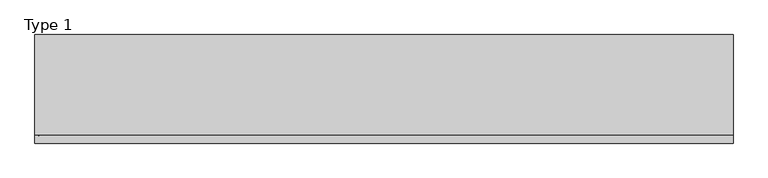
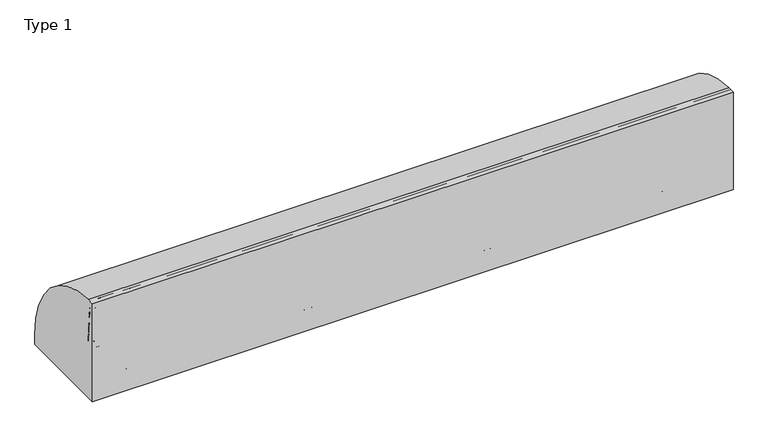
"""IFC4 building model written with IfcOpenShell, lengths in millimetres: railing geometry, Type 1."""

from ifc_helpers import new_model, si_unit, point, frame, frame_2d, origin, place, context, project, spatial, polyline, circle_curve, ellipse_curve, trimmed, segment, composite_curve, outline, extrude, source, transform, mapped, element, save
from ifc_brep_helpers import plane_surface, cylinder_surface, revolved_surface, advanced_brep


def type_1_aad9f2fb(model_context):
    return source(origin(), model_context, "Body", "SolidModel", [
        extrude(outline(composite_curve([segment(polyline([(-824.2, 1050.0), (-747.6546144, 1050.0)]), True, "CONTINUOUS"), segment(trimmed(circle_curve(frame_2d((-754.8273072, 108.0)), 942.0273072), [point((-747.6546144, 1050.0))], [point((187.2, 108.0))], False, "CARTESIAN"), True, "CONTINUOUS"), segment(polyline([(187.2, 108.0), (187.2, 0.0), (-824.2, 0.0), (-824.2, 1050.0)]), True, "CONTINUOUS")], self_intersect=False)), frame((-400.0, 0.0, 0.0), z_axis=(1.0, 0.0, 0.0), x_axis=(0.0, 1.0, 0.0)), (0.0, 0.0, 1.0), 6500.0),
        extrude(outline(composite_curve([segment(polyline([(-800.0, 185.0000001), (-767.1999123, 185.0000001)]), True, "CONTINUOUS"), segment(trimmed(circle_curve(frame_2d((-767.1999123, 112.1212122)), 72.8787879), [point((-767.1999123, 185.0000001))], [point((-715.6668272, 163.6542973))], False, "CARTESIAN"), True, "CONTINUOUS"), segment(polyline([(-715.6668272, 163.6542973), (-601.4657725, 49.4532425)]), True, "CONTINUOUS"), segment(trimmed(circle_curve(frame_2d((-609.3939394, 41.5250756)), 11.2121212), [point((-601.4657725, 49.4532425))], [point((-598.1818182, 41.5250756))], False, "CARTESIAN"), True, "CONTINUOUS"), segment(polyline([(-598.1818182, 41.5250756), (-598.1818182, 1e-07), (-800.0, 1e-07), (-800.0, 185.0000001)]), True, "CONTINUOUS")], self_intersect=False), holes=[composite_curve([segment(trimmed(circle_curve(frame_2d((-705.7014901, 93.0361975)), 5.6060606), [point((-711.3075507, 93.0361975))], [point((-700.0954295, 93.0361975))], True, "CARTESIAN"), True, "CONTINUOUS"), segment(trimmed(circle_curve(frame_2d((-778.6969697, 93.0361975)), 78.6015402), [point((-700.0954295, 93.0361975))], [point((-778.6969697, 171.6377377))], True, "CARTESIAN"), True, "CONTINUOUS"), segment(trimmed(circle_curve(frame_2d((-778.6969697, 166.0316771)), 5.6060606), [point((-778.6969697, 171.6377377))], [point((-784.3030303, 166.0316771))], True, "CARTESIAN"), True, "CONTINUOUS"), segment(polyline([(-784.3030303, 166.0316771), (-784.3030303, 143.5676849)]), True, "CONTINUOUS"), segment(trimmed(circle_curve(frame_2d((-778.6969697, 143.5676849)), 5.6060606), [point((-784.3030303, 143.5676849))], [point((-773.0909091, 143.5676849))], True, "CARTESIAN"), True, "CONTINUOUS"), segment(polyline([(-773.0909091, 143.5676849), (-773.0909091, 157.7293747)]), True, "CONTINUOUS"), segment(trimmed(circle_curve(frame_2d((-770.8668077, 157.7293747)), 2.2241014), [point((-773.0909091, 157.7293747))], [point((-770.5995631, 159.9373619))], False, "CARTESIAN"), True, "CONTINUOUS"), segment(trimmed(circle_curve(frame_2d((-778.6969697, 93.0361975)), 67.389419), [point((-770.5995631, 159.9373619))], [point((-711.3075507, 93.0361975))], False, "CARTESIAN"), True, "CONTINUOUS")], self_intersect=False)]), frame((3622.3333333, 0.0, 0.0), z_axis=(1.0, 0.0, 0.0), x_axis=(0.0, 1.0, 0.0)), (0.0, 0.0, 1.0), 2.5),
        advanced_brep(
        [(3689.8333333, -800.0, 185.0000001), (3689.8333333, -767.1999123, 185.0000001), (3689.8333333, -715.6668272, 163.6542973), (3689.8333333, -601.4657725, 49.4532425), (3689.8333333, -598.1818182, 41.5250756), (3689.8333333, -598.1818182, 1e-07), (3689.8333333, -800.0, 1e-07), (3689.8333333, -800.0, 100.9768515), (3689.8333333, -711.3075507, 93.0361975), (3689.8333333, -700.0954295, 93.0361975), (3689.8333333, -778.6969697, 171.6377377), (3689.8333333, -784.3030303, 166.0316771), (3689.8333333, -784.3030303, 143.5676849), (3689.8333333, -773.0909091, 143.5676849), (3689.8333333, -773.0909091, 157.7293747), (3689.8333333, -770.5995631, 159.9373619), (3692.3333333, -800.0, 1e-07), (3692.3333333, -598.1818182, 1e-07), (3692.3333333, -598.1818182, 41.5250756), (3692.3333333, -601.4657725, 49.4532425), (3692.3333333, -715.6668272, 163.6542973), (3692.3333333, -767.1999123, 185.0000001), (3692.3333333, -802.0, 185.0000001), (3692.3333333, -802.0, 100.9768515), (3692.3333333, -800.0, 100.9768515), (3692.3333333, -711.3075507, 93.0361975), (3692.3333333, -770.5995631, 159.9373619), (3692.3333333, -773.0909091, 157.7293747), (3692.3333333, -773.0909091, 143.5676849), (3692.3333333, -784.3030303, 143.5676849), (3692.3333333, -784.3030303, 166.0316771), (3692.3333333, -778.6969697, 171.6377377), (3692.3333333, -700.0954295, 93.0361975), (3622.3333333, -800.0, 185.0000001), (3622.3333333, -802.0, 185.0000001), (3622.3333333, -802.0, 100.9768515), (3622.3333333, -800.0, 100.9768515)],
        [
            (0, 1),
            (1, 2, circle_curve(frame((3689.8333333, -767.1999123, 112.1212122), z_axis=(-1.0, 0.0, 0.0), x_axis=(0.0, -1.0, 0.0)), 72.8787879)),
            (2, 3),
            (3, 4, circle_curve(frame((3689.8333333, -609.3939394, 41.5250756), z_axis=(-1.0, 0.0, 0.0), x_axis=(0.0, -1.0, 0.0)), 11.2121212)),
            (4, 5),
            (5, 6),
            (6, 7),
            (7, 0),
            (8, 9, circle_curve(frame((3689.8333333, -705.7014901, 93.0361975), z_axis=(1.0, 0.0, 0.0), x_axis=(0.0, -1.0, 0.0)), 5.6060606)),
            (9, 10, circle_curve(frame((3689.8333333, -778.6969697, 93.0361975), z_axis=(1.0, 0.0, 0.0), x_axis=(0.0, -1.0, 0.0)), 78.6015402)),
            (10, 11, circle_curve(frame((3689.8333333, -778.6969697, 166.0316771), z_axis=(1.0, 0.0, 0.0), x_axis=(0.0, -1.0, 0.0)), 5.6060606)),
            (11, 12),
            (12, 13, circle_curve(frame((3689.8333333, -778.6969697, 143.5676849), z_axis=(1.0, 0.0, 0.0), x_axis=(0.0, -1.0, 0.0)), 5.6060606)),
            (13, 14),
            (14, 15, circle_curve(frame((3689.8333333, -770.8668077, 157.7293747), z_axis=(-1.0, 0.0, 0.0), x_axis=(0.0, -1.0, 0.0)), 2.2241014)),
            (15, 8, circle_curve(frame((3689.8333333, -778.6969697, 93.0361975), z_axis=(-1.0, 0.0, 0.0), x_axis=(0.0, -1.0, 0.0)), 67.389419)),
            (16, 17),
            (17, 18),
            (18, 19, circle_curve(frame((3692.3333333, -609.3939394, 41.5250756), z_axis=(1.0, 0.0, 0.0), x_axis=(0.0, -1.0, 0.0)), 11.2121212)),
            (19, 20),
            (20, 21, circle_curve(frame((3692.3333333, -767.1999123, 112.1212122), z_axis=(1.0, 0.0, 0.0), x_axis=(0.0, -1.0, 0.0)), 72.8787879)),
            (21, 22),
            (22, 23),
            (23, 24),
            (24, 16),
            (25, 26, circle_curve(frame((3692.3333333, -778.6969697, 93.0361975), z_axis=(1.0, 0.0, 0.0), x_axis=(0.0, -1.0, 0.0)), 67.389419)),
            (26, 27, circle_curve(frame((3692.3333333, -770.8668077, 157.7293747), z_axis=(1.0, 0.0, 0.0), x_axis=(0.0, -1.0, 0.0)), 2.2241014)),
            (27, 28),
            (28, 29, circle_curve(frame((3692.3333333, -778.6969697, 143.5676849), z_axis=(-1.0, 0.0, 0.0), x_axis=(0.0, -1.0, 0.0)), 5.6060606)),
            (29, 30),
            (30, 31, circle_curve(frame((3692.3333333, -778.6969697, 166.0316771), z_axis=(-1.0, 0.0, 0.0), x_axis=(0.0, -1.0, 0.0)), 5.6060606)),
            (31, 32, circle_curve(frame((3692.3333333, -778.6969697, 93.0361975), z_axis=(-1.0, 0.0, 0.0), x_axis=(0.0, -1.0, 0.0)), 78.6015402)),
            (32, 25, circle_curve(frame((3692.3333333, -705.7014901, 93.0361975), z_axis=(-1.0, 0.0, 0.0), x_axis=(0.0, -1.0, 0.0)), 5.6060606)),
            (0, 33),
            (33, 34),
            (34, 22),
            (21, 1),
            (20, 2),
            (19, 3),
            (18, 4),
            (17, 5),
            (16, 6),
            (24, 7),
            (8, 25),
            (32, 9),
            (31, 10),
            (30, 11),
            (15, 26),
            (29, 12),
            (28, 13),
            (27, 14),
            (34, 35),
            (35, 23),
            (36, 33),
            (7, 36),
            (36, 35),
        ],
        [
            plane_surface(frame((3689.8333333, -798.2270223, 185.0000001), z_axis=(-1.0, 0.0, 0.0), x_axis=(0.0, 1.0, 0.0))),
            plane_surface(frame((3692.3333333, -798.2270223, 185.0000001), z_axis=(1.0, 0.0, 0.0), x_axis=(0.0, -1.0, 0.0))),
            plane_surface(frame((3689.8333333, -800.0, 185.0000001), z_axis=(0.0, 0.0, 1.0), x_axis=(1.0, 0.0, 0.0))),
            cylinder_surface(frame((3692.3333333, -767.1999123, 112.1212122), z_axis=(-1.0, 0.0, 0.0), x_axis=(0.0, -1.0, 0.0)), 72.8787879),
            plane_surface(frame((3689.8333333, -715.6668272, 163.6542973), z_axis=(0.0, 0.7071067811865421, 0.7071067811865529), x_axis=(1.0, 0.0, 0.0))),
            cylinder_surface(frame((3692.3333333, -609.3939394, 41.5250756), z_axis=(-1.0, 0.0, 0.0), x_axis=(0.0, -1.0, 0.0)), 11.2121212),
            plane_surface(frame((3689.8333333, -598.1818182, 41.5250756), z_axis=(0.0, 1.0, 0.0), x_axis=(1.0, 0.0, 0.0))),
            plane_surface(frame((3689.8333333, -598.1818182, 1e-07), z_axis=(0.0, 0.0, -1.0), x_axis=(1.0, 0.0, 0.0))),
            plane_surface(frame((3689.8333333, -800.0, 1e-07), z_axis=(0.0, -1.0, 0.0), x_axis=(1.0, 0.0, 0.0))),
            revolved_surface(polyline([(3692.3333333, -711.3075507, 93.0361975), (3689.8333333, -711.3075507, 93.0361975)]), (3692.3333333, -705.7014901, 93.0361975), (1.0, 0.0, 0.0)),
            revolved_surface(polyline([(3692.3333333, -857.2985099, 93.0361975), (3689.8333333, -857.2985099, 93.0361975)]), (3692.3333333, -778.6969697, 93.0361975), (1.0, 0.0, 0.0)),
            revolved_surface(polyline([(3692.3333333, -784.3030302999999, 166.0316771), (3689.8333333, -784.3030302999999, 166.0316771)]), (3692.3333333, -778.6969697, 166.0316771), (1.0, 0.0, 0.0)),
            cylinder_surface(frame((3692.3333333, -778.6969697, 93.0361975), z_axis=(-1.0, 0.0, 0.0), x_axis=(0.0, -1.0, 0.0)), 67.389419),
            plane_surface(frame((3689.8333333, -784.3030303, 166.0316771), z_axis=(0.0, 1.0, 0.0), x_axis=(1.0, 0.0, 0.0))),
            revolved_surface(polyline([(3692.3333333, -784.3030302999999, 143.5676849), (3689.8333333, -784.3030302999999, 143.5676849)]), (3692.3333333, -778.6969697, 143.5676849), (1.0, 0.0, 0.0)),
            plane_surface(frame((3689.8333333, -773.0909091, 143.5676849), z_axis=(0.0, -1.0, 0.0), x_axis=(1.0, 0.0, 0.0))),
            cylinder_surface(frame((3692.3333333, -770.8668077, 157.7293747), z_axis=(-1.0, 0.0, 0.0), x_axis=(0.0, -1.0, 0.0)), 2.2241014),
            plane_surface(frame((3622.3333333, -802.0, 185.0000001), z_axis=(0.0, -1.0, 0.0), x_axis=(-1.0, 0.0, 0.0))),
            plane_surface(frame((3622.3333333, -800.0, 185.0000001), z_axis=(0.0, 1.0, 0.0), x_axis=(1.0, 0.0, 0.0))),
            plane_surface(frame((3622.3333333, -802.0, 185.0000001), z_axis=(-1.0, 0.0, 0.0), x_axis=(0.0, 1.0, 0.0))),
            plane_surface(frame((3622.3333333, -802.0, 100.9768515), z_axis=(0.0, 0.0, -1.0), x_axis=(0.0, 1.0, 0.0))),
        ],
        [
            (0, [[1, 2, 3, 4, 5, 6, 7, 8], [9, 10, 11, 12, 13, 14, 15, 16]]),
            (1, [[17, 18, 19, 20, 21, 22, 23, 24, 25], [26, 27, 28, 29, 30, 31, 32, 33]]),
            (2, [[-1, 34, 35, 36, -22, 37]]),
            (3, [[-2, -37, -21, 38]]),
            (4, [[-3, -38, -20, 39]]),
            (5, [[-4, -39, -19, 40]]),
            (6, [[-5, -40, -18, 41]]),
            (7, [[-6, -41, -17, 42]]),
            (8, [[-42, -25, 43, -7]]),
            (9, [[-9, 44, -33, 45]]),
            (10, [[-10, -45, -32, 46]]),
            (11, [[-11, -46, -31, 47]]),
            (12, [[-16, 48, -26, -44]]),
            (13, [[-12, -47, -30, 49]]),
            (14, [[-13, -49, -29, 50]]),
            (15, [[-14, -50, -28, 51]]),
            (16, [[-15, -51, -27, -48]]),
            (17, [[-36, 52, 53, -23]]),
            (18, [[54, -34, -8, 55]]),
            (19, [[-52, -35, -54, 56]]),
            (20, [[-53, -56, -55, -43, -24]]),
        ],
    ),
        extrude(outline(composite_curve([segment(trimmed(circle_curve(frame_2d((3634.3333333, -795.0)), 5.0), [point((3634.3333333, -800.0))], [point((3629.3333333, -795.0))], False, "CARTESIAN"), True, "CONTINUOUS"), segment(polyline([(3629.3333333, -795.0), (3629.3333333, -767.0)]), True, "CONTINUOUS"), segment(trimmed(circle_curve(frame_2d((3634.3333333, -767.0)), 5.0), [point((3629.3333333, -767.0))], [point((3634.3333333, -762.0))], False, "CARTESIAN"), True, "CONTINUOUS"), segment(polyline([(3634.3333333, -762.0), (3680.3333333, -762.0)]), True, "CONTINUOUS"), segment(trimmed(circle_curve(frame_2d((3680.3333333, -767.0)), 5.0), [point((3680.3333333, -762.0))], [point((3685.3333333, -767.0))], False, "CARTESIAN"), True, "CONTINUOUS"), segment(polyline([(3685.3333333, -767.0), (3685.3333333, -795.0)]), True, "CONTINUOUS"), segment(trimmed(circle_curve(frame_2d((3680.3333333, -795.0)), 5.0), [point((3685.3333333, -795.0))], [point((3680.3333333, -800.0))], False, "CARTESIAN"), True, "CONTINUOUS"), segment(polyline([(3680.3333333, -800.0), (3634.3333333, -800.0)]), True, "CONTINUOUS")], self_intersect=False)), frame((0.0, 0.0, 43.0000001), z_axis=(0.0, 0.0, 1.0), x_axis=(1.0, 0.0, 0.0)), (0.0, 0.0, 1.0), 965.0),
        extrude(outline(composite_curve([segment(polyline([(1e-07, 3689.8333333), (36.5000001, 3689.8333333)]), True, "CONTINUOUS"), segment(trimmed(circle_curve(frame_2d((36.5000001, 3688.3333333)), 1.5), [point((36.5000001, 3689.8333333))], [point((36.5000001, 3686.8333333))], False, "CARTESIAN"), True, "CONTINUOUS"), segment(polyline([(36.5000001, 3686.8333333), (3.0000001, 3686.8333333), (3.0000001, 3627.8333333), (36.5000001, 3627.8333333)]), True, "CONTINUOUS"), segment(trimmed(circle_curve(frame_2d((36.5000001, 3626.3333333)), 1.5), [point((36.5000001, 3627.8333333))], [point((36.5000001, 3624.8333333))], False, "CARTESIAN"), True, "CONTINUOUS"), segment(polyline([(36.5000001, 3624.8333333), (1e-07, 3624.8333333), (1e-07, 3689.8333333)]), True, "CONTINUOUS")], self_intersect=False)), frame((0.0, -800.0, 0.0), z_axis=(0.0, 1.0, 0.0), x_axis=(0.0, 0.0, 1.0)), (0.0, 0.0, 1.0), 800.0),
        extrude(outline(composite_curve([segment(polyline([(-800.0, 185.0), (-767.1999123, 185.0)]), True, "CONTINUOUS"), segment(trimmed(circle_curve(frame_2d((-767.1999123, 112.1212122)), 72.8787879), [point((-767.1999123, 185.0))], [point((-715.6668272, 163.6542973))], False, "CARTESIAN"), True, "CONTINUOUS"), segment(polyline([(-715.6668272, 163.6542973), (-601.4657725, 49.4532425)]), True, "CONTINUOUS"), segment(trimmed(circle_curve(frame_2d((-609.3939394, 41.5250756)), 11.2121212), [point((-601.4657725, 49.4532425))], [point((-598.1818182, 41.5250756))], False, "CARTESIAN"), True, "CONTINUOUS"), segment(polyline([(-598.1818182, 41.5250756), (-598.1818182, 0.0), (-800.0, 0.0), (-800.0, 185.0)]), True, "CONTINUOUS")], self_intersect=False), holes=[composite_curve([segment(trimmed(circle_curve(frame_2d((-705.7014901, 93.0361975)), 5.6060606), [point((-711.3075507, 93.0361975))], [point((-700.0954295, 93.0361975))], True, "CARTESIAN"), True, "CONTINUOUS"), segment(trimmed(circle_curve(frame_2d((-778.6969697, 93.0361975)), 78.6015402), [point((-700.0954295, 93.0361975))], [point((-778.6969697, 171.6377377))], True, "CARTESIAN"), True, "CONTINUOUS"), segment(trimmed(circle_curve(frame_2d((-778.6969697, 166.0316771)), 5.6060606), [point((-778.6969697, 171.6377377))], [point((-784.3030303, 166.0316771))], True, "CARTESIAN"), True, "CONTINUOUS"), segment(polyline([(-784.3030303, 166.0316771), (-784.3030303, 143.5676849)]), True, "CONTINUOUS"), segment(trimmed(circle_curve(frame_2d((-778.6969697, 143.5676849)), 5.6060606), [point((-784.3030303, 143.5676849))], [point((-773.0909091, 143.5676849))], True, "CARTESIAN"), True, "CONTINUOUS"), segment(polyline([(-773.0909091, 143.5676849), (-773.0909091, 157.7293747)]), True, "CONTINUOUS"), segment(trimmed(circle_curve(frame_2d((-770.8668077, 157.7293747)), 2.2241014), [point((-773.0909091, 157.7293747))], [point((-770.5995631, 159.9373619))], False, "CARTESIAN"), True, "CONTINUOUS"), segment(trimmed(circle_curve(frame_2d((-778.6969697, 93.0361975)), 67.389419), [point((-770.5995631, 159.9373619))], [point((-711.3075507, 93.0361975))], False, "CARTESIAN"), True, "CONTINUOUS")], self_intersect=False)]), frame((1807.6666667, 0.0, 0.0), z_axis=(1.0, 0.0, 0.0), x_axis=(0.0, 1.0, 0.0)), (0.0, 0.0, 1.0), 2.5),
        advanced_brep(
        [(1875.1666667, -800.0, 185.0), (1875.1666667, -767.1999123, 185.0), (1875.1666667, -715.6668272, 163.6542973), (1875.1666667, -601.4657725, 49.4532425), (1875.1666667, -598.1818182, 41.5250756), (1875.1666667, -598.1818182, 0.0), (1875.1666667, -800.0, 0.0), (1875.1666667, -800.0, 100.9768515), (1875.1666667, -711.3075507, 93.0361975), (1875.1666667, -700.0954295, 93.0361975), (1875.1666667, -778.6969697, 171.6377377), (1875.1666667, -784.3030303, 166.0316771), (1875.1666667, -784.3030303, 143.5676849), (1875.1666667, -773.0909091, 143.5676849), (1875.1666667, -773.0909091, 157.7293747), (1875.1666667, -770.5995631, 159.9373619), (1877.6666667, -800.0, 0.0), (1877.6666667, -598.1818182, 0.0), (1877.6666667, -598.1818182, 41.5250756), (1877.6666667, -601.4657725, 49.4532425), (1877.6666667, -715.6668272, 163.6542973), (1877.6666667, -767.1999123, 185.0), (1877.6666667, -802.0, 185.0), (1877.6666667, -802.0, 100.9768515), (1877.6666667, -800.0, 100.9768515), (1877.6666667, -711.3075507, 93.0361975), (1877.6666667, -770.5995631, 159.9373619), (1877.6666667, -773.0909091, 157.7293747), (1877.6666667, -773.0909091, 143.5676849), (1877.6666667, -784.3030303, 143.5676849), (1877.6666667, -784.3030303, 166.0316771), (1877.6666667, -778.6969697, 171.6377377), (1877.6666667, -700.0954295, 93.0361975), (1807.6666667, -800.0, 185.0), (1807.6666667, -802.0, 185.0), (1807.6666667, -802.0, 100.9768515), (1807.6666667, -800.0, 100.9768515)],
        [
            (0, 1),
            (1, 2, circle_curve(frame((1875.1666667, -767.1999123, 112.1212122), z_axis=(-1.0, 0.0, 0.0), x_axis=(0.0, -1.0, 0.0)), 72.8787879)),
            (2, 3),
            (3, 4, circle_curve(frame((1875.1666667, -609.3939394, 41.5250756), z_axis=(-1.0, 0.0, 0.0), x_axis=(0.0, -1.0, 0.0)), 11.2121212)),
            (4, 5),
            (5, 6),
            (6, 7),
            (7, 0),
            (8, 9, circle_curve(frame((1875.1666667, -705.7014901, 93.0361975), z_axis=(1.0, 0.0, 0.0), x_axis=(0.0, -1.0, 0.0)), 5.6060606)),
            (9, 10, circle_curve(frame((1875.1666667, -778.6969697, 93.0361975), z_axis=(1.0, 0.0, 0.0), x_axis=(0.0, -1.0, 0.0)), 78.6015402)),
            (10, 11, circle_curve(frame((1875.1666667, -778.6969697, 166.0316771), z_axis=(1.0, 0.0, 0.0), x_axis=(0.0, -1.0, 0.0)), 5.6060606)),
            (11, 12),
            (12, 13, circle_curve(frame((1875.1666667, -778.6969697, 143.5676849), z_axis=(1.0, 0.0, 0.0), x_axis=(0.0, -1.0, 0.0)), 5.6060606)),
            (13, 14),
            (14, 15, circle_curve(frame((1875.1666667, -770.8668077, 157.7293747), z_axis=(-1.0, 0.0, 0.0), x_axis=(0.0, -1.0, 0.0)), 2.2241014)),
            (15, 8, circle_curve(frame((1875.1666667, -778.6969697, 93.0361975), z_axis=(-1.0, 0.0, 0.0), x_axis=(0.0, -1.0, 0.0)), 67.389419)),
            (16, 17),
            (17, 18),
            (18, 19, circle_curve(frame((1877.6666667, -609.3939394, 41.5250756), z_axis=(1.0, 0.0, 0.0), x_axis=(0.0, -1.0, 0.0)), 11.2121212)),
            (19, 20),
            (20, 21, circle_curve(frame((1877.6666667, -767.1999123, 112.1212122), z_axis=(1.0, 0.0, 0.0), x_axis=(0.0, -1.0, 0.0)), 72.8787879)),
            (21, 22),
            (22, 23),
            (23, 24),
            (24, 16),
            (25, 26, circle_curve(frame((1877.6666667, -778.6969697, 93.0361975), z_axis=(1.0, 0.0, 0.0), x_axis=(0.0, -1.0, 0.0)), 67.389419)),
            (26, 27, circle_curve(frame((1877.6666667, -770.8668077, 157.7293747), z_axis=(1.0, 0.0, 0.0), x_axis=(0.0, -1.0, 0.0)), 2.2241014)),
            (27, 28),
            (28, 29, circle_curve(frame((1877.6666667, -778.6969697, 143.5676849), z_axis=(-1.0, 0.0, 0.0), x_axis=(0.0, -1.0, 0.0)), 5.6060606)),
            (29, 30),
            (30, 31, circle_curve(frame((1877.6666667, -778.6969697, 166.0316771), z_axis=(-1.0, 0.0, 0.0), x_axis=(0.0, -1.0, 0.0)), 5.6060606)),
            (31, 32, circle_curve(frame((1877.6666667, -778.6969697, 93.0361975), z_axis=(-1.0, 0.0, 0.0), x_axis=(0.0, -1.0, 0.0)), 78.6015402)),
            (32, 25, circle_curve(frame((1877.6666667, -705.7014901, 93.0361975), z_axis=(-1.0, 0.0, 0.0), x_axis=(0.0, -1.0, 0.0)), 5.6060606)),
            (0, 33),
            (33, 34),
            (34, 22),
            (21, 1),
            (20, 2),
            (19, 3),
            (18, 4),
            (17, 5),
            (16, 6),
            (24, 7),
            (8, 25),
            (32, 9),
            (31, 10),
            (30, 11),
            (15, 26),
            (29, 12),
            (28, 13),
            (27, 14),
            (34, 35),
            (35, 23),
            (36, 33),
            (7, 36),
            (36, 35),
        ],
        [
            plane_surface(frame((1875.1666667, -798.2270223, 185.0), z_axis=(-1.0, 0.0, 0.0), x_axis=(0.0, 1.0, 0.0))),
            plane_surface(frame((1877.6666667, -798.2270223, 185.0), z_axis=(1.0, 0.0, 0.0), x_axis=(0.0, -1.0, 0.0))),
            plane_surface(frame((1875.1666667, -800.0, 185.0), z_axis=(0.0, 0.0, 1.0), x_axis=(1.0, 0.0, 0.0))),
            cylinder_surface(frame((1877.6666667, -767.1999123, 112.1212122), z_axis=(-1.0, 0.0, 0.0), x_axis=(0.0, -1.0, 0.0)), 72.8787879),
            plane_surface(frame((1875.1666667, -715.6668272, 163.6542973), z_axis=(0.0, 0.7071067811865421, 0.7071067811865529), x_axis=(1.0, 0.0, 0.0))),
            cylinder_surface(frame((1877.6666667, -609.3939394, 41.5250756), z_axis=(-1.0, 0.0, 0.0), x_axis=(0.0, -1.0, 0.0)), 11.2121212),
            plane_surface(frame((1875.1666667, -598.1818182, 41.5250756), z_axis=(0.0, 1.0, 0.0), x_axis=(1.0, 0.0, 0.0))),
            plane_surface(frame((1875.1666667, -598.1818182, 0.0), z_axis=(0.0, 0.0, -1.0), x_axis=(1.0, 0.0, 0.0))),
            plane_surface(frame((1875.1666667, -800.0, 0.0), z_axis=(0.0, -1.0, 0.0), x_axis=(1.0, 0.0, 0.0))),
            revolved_surface(polyline([(1877.6666667, -711.3075507, 93.0361975), (1875.1666667, -711.3075507, 93.0361975)]), (1877.6666667, -705.7014901, 93.0361975), (1.0, 0.0, 0.0)),
            revolved_surface(polyline([(1877.6666667, -857.2985099, 93.0361975), (1875.1666667, -857.2985099, 93.0361975)]), (1877.6666667, -778.6969697, 93.0361975), (1.0, 0.0, 0.0)),
            revolved_surface(polyline([(1877.6666667, -784.3030302999999, 166.0316771), (1875.1666667, -784.3030302999999, 166.0316771)]), (1877.6666667, -778.6969697, 166.0316771), (1.0, 0.0, 0.0)),
            cylinder_surface(frame((1877.6666667, -778.6969697, 93.0361975), z_axis=(-1.0, 0.0, 0.0), x_axis=(0.0, -1.0, 0.0)), 67.389419),
            plane_surface(frame((1875.1666667, -784.3030303, 166.0316771), z_axis=(0.0, 1.0, 0.0), x_axis=(1.0, 0.0, 0.0))),
            revolved_surface(polyline([(1877.6666667, -784.3030302999999, 143.5676849), (1875.1666667, -784.3030302999999, 143.5676849)]), (1877.6666667, -778.6969697, 143.5676849), (1.0, 0.0, 0.0)),
            plane_surface(frame((1875.1666667, -773.0909091, 143.5676849), z_axis=(0.0, -1.0, 0.0), x_axis=(1.0, 0.0, 0.0))),
            cylinder_surface(frame((1877.6666667, -770.8668077, 157.7293747), z_axis=(-1.0, 0.0, 0.0), x_axis=(0.0, -1.0, 0.0)), 2.2241014),
            plane_surface(frame((1807.6666667, -802.0, 185.0), z_axis=(0.0, -1.0, 0.0), x_axis=(-1.0, 0.0, 0.0))),
            plane_surface(frame((1807.6666667, -800.0, 185.0), z_axis=(0.0, 1.0, 0.0), x_axis=(1.0, 0.0, 0.0))),
            plane_surface(frame((1807.6666667, -802.0, 185.0), z_axis=(-1.0, 0.0, 0.0), x_axis=(0.0, 1.0, 0.0))),
            plane_surface(frame((1807.6666667, -802.0, 100.9768515), z_axis=(0.0, 0.0, -1.0), x_axis=(0.0, 1.0, 0.0))),
        ],
        [
            (0, [[1, 2, 3, 4, 5, 6, 7, 8], [9, 10, 11, 12, 13, 14, 15, 16]]),
            (1, [[17, 18, 19, 20, 21, 22, 23, 24, 25], [26, 27, 28, 29, 30, 31, 32, 33]]),
            (2, [[-1, 34, 35, 36, -22, 37]]),
            (3, [[-2, -37, -21, 38]]),
            (4, [[-3, -38, -20, 39]]),
            (5, [[-4, -39, -19, 40]]),
            (6, [[-5, -40, -18, 41]]),
            (7, [[-6, -41, -17, 42]]),
            (8, [[-42, -25, 43, -7]]),
            (9, [[-9, 44, -33, 45]]),
            (10, [[-10, -45, -32, 46]]),
            (11, [[-11, -46, -31, 47]]),
            (12, [[-16, 48, -26, -44]]),
            (13, [[-12, -47, -30, 49]]),
            (14, [[-13, -49, -29, 50]]),
            (15, [[-14, -50, -28, 51]]),
            (16, [[-15, -51, -27, -48]]),
            (17, [[-36, 52, 53, -23]]),
            (18, [[54, -34, -8, 55]]),
            (19, [[-52, -35, -54, 56]]),
            (20, [[-53, -56, -55, -43, -24]]),
        ],
    ),
        extrude(outline(composite_curve([segment(trimmed(circle_curve(frame_2d((1819.6666667, -795.0)), 5.0), [point((1819.6666667, -800.0))], [point((1814.6666667, -795.0))], False, "CARTESIAN"), True, "CONTINUOUS"), segment(polyline([(1814.6666667, -795.0), (1814.6666667, -767.0)]), True, "CONTINUOUS"), segment(trimmed(circle_curve(frame_2d((1819.6666667, -767.0)), 5.0), [point((1814.6666667, -767.0))], [point((1819.6666667, -762.0))], False, "CARTESIAN"), True, "CONTINUOUS"), segment(polyline([(1819.6666667, -762.0), (1865.6666667, -762.0)]), True, "CONTINUOUS"), segment(trimmed(circle_curve(frame_2d((1865.6666667, -767.0)), 5.0), [point((1865.6666667, -762.0))], [point((1870.6666667, -767.0))], False, "CARTESIAN"), True, "CONTINUOUS"), segment(polyline([(1870.6666667, -767.0), (1870.6666667, -795.0)]), True, "CONTINUOUS"), segment(trimmed(circle_curve(frame_2d((1865.6666667, -795.0)), 5.0), [point((1870.6666667, -795.0))], [point((1865.6666667, -800.0))], False, "CARTESIAN"), True, "CONTINUOUS"), segment(polyline([(1865.6666667, -800.0), (1819.6666667, -800.0)]), True, "CONTINUOUS")], self_intersect=False)), frame((0.0, 0.0, 43.0), z_axis=(0.0, 0.0, 1.0), x_axis=(1.0, 0.0, 0.0)), (0.0, 0.0, 1.0), 965.0),
        extrude(outline(composite_curve([segment(polyline([(0.0, 1875.1666667), (36.5, 1875.1666667)]), True, "CONTINUOUS"), segment(trimmed(circle_curve(frame_2d((36.5, 1873.6666667)), 1.5), [point((36.5, 1875.1666667))], [point((36.5, 1872.1666667))], False, "CARTESIAN"), True, "CONTINUOUS"), segment(polyline([(36.5, 1872.1666667), (3.0, 1872.1666667), (3.0, 1813.1666667), (36.5, 1813.1666667)]), True, "CONTINUOUS"), segment(trimmed(circle_curve(frame_2d((36.5, 1811.6666667)), 1.5), [point((36.5, 1813.1666667))], [point((36.5, 1810.1666667))], False, "CARTESIAN"), True, "CONTINUOUS"), segment(polyline([(36.5, 1810.1666667), (0.0, 1810.1666667), (0.0, 1875.1666667)]), True, "CONTINUOUS")], self_intersect=False)), frame((0.0, -800.0, 0.0), z_axis=(0.0, 1.0, 0.0), x_axis=(0.0, 0.0, 1.0)), (0.0, 0.0, 1.0), 800.0),
        advanced_brep(
        [(-200.0, -746.3, 518.0), (-200.0, -746.3, 558.0), (-210.0, -746.3, 513.0), (-210.0, -746.3, 563.0)],
        [
            (0, 1, circle_curve(frame((-200.0, -746.3, 538.0), z_axis=(1.0, 0.0, 0.0), x_axis=(0.0, 0.0, -1.0)), 20.0)),
            (1, 0, circle_curve(frame((-200.0, -746.3, 538.0), z_axis=(1.0, 0.0, 0.0), x_axis=(0.0, 0.0, 1.0)), 20.0)),
            (2, 3, circle_curve(frame((-210.0, -746.3, 538.0), z_axis=(-1.0, 0.0, 0.0), x_axis=(0.0, 0.0, 1.0)), 25.0)),
            (3, 2, circle_curve(frame((-210.0, -746.3, 538.0), z_axis=(-1.0, 0.0, 0.0), x_axis=(0.0, 0.0, -1.0)), 25.0)),
            (3, 1),
            (0, 2),
        ],
        [
            plane_surface(frame((-200.0, -746.3, 538.0), z_axis=(1.0, 0.0, 0.0), x_axis=(0.0, 1.0, 0.0))),
            plane_surface(frame((-210.0, -746.3, 538.0), z_axis=(-1.0, 0.0, 0.0), x_axis=(0.0, 1.0, 0.0))),
            revolved_surface(polyline([(-200.0, -746.3, 518.0), (-210.0, -746.3, 513.0)]), (-160.0, -746.3, 538.0), (-1.0, 0.0, 0.0)),
            revolved_surface(polyline([(-200.0, -746.3, 558.0), (-210.0, -746.3, 563.0)]), (-160.0, -746.3, 538.0), (-1.0, 0.0, 0.0)),
        ],
        [
            (0, [[1, 2]]),
            (1, [[3, 4]]),
            (2, [[-4, 5, -1, 6]]),
            (3, [[-3, -6, -2, -5]]),
        ],
    ),
        advanced_brep(
        [(0.0, -782.7768095, 1049.936779), (0.0, -779.2231905, 1000.063221), (-300.0, -782.7768095, 1049.936779), (-300.0, -779.2231905, 1000.063221), (-350.0, -775.6695715, 950.1896629), (-400.0, -775.6695715, 950.1896629), (-400.0, -751.6399996, 612.9446635), (-350.0, -751.6399996, 612.9446635), (-300.0, -748.0863806, 563.0711054), (-300.0, -744.5327616, 513.1975474), (-210.0, -744.5327616, 513.1975474), (-210.0, -748.0863806, 563.0711054)],
        [
            (0, 1, circle_curve(frame((0.0, -781.0, 1025.0), z_axis=(1.0, 0.0, 0.0), x_axis=(0.0, 0.07107238045514495, -0.9974711608545078)), 25.0)),
            (1, 0, circle_curve(frame((0.0, -781.0, 1025.0), z_axis=(1.0, 0.0, 0.0), x_axis=(0.0, 0.07107238045514495, -0.9974711608545078)), 25.0)),
            (0, 2),
            (2, 3, circle_curve(frame((-300.0, -781.0, 1025.0), z_axis=(1.0, 0.0, 0.0), x_axis=(0.0, 0.07107238045514495, -0.9974711608545078)), 25.0)),
            (3, 1),
            (3, 2, circle_curve(frame((-300.0, -781.0, 1025.0), z_axis=(1.0, 0.0, 0.0), x_axis=(0.0, 0.07107238045514495, -0.9974711608545078)), 25.0)),
            (4, 3, circle_curve(frame((-300.0, -775.6695715, 950.1896629), z_axis=(0.0, 0.9974711608545078, 0.07107238045514495), x_axis=(0.0, -0.07107238045514495, 0.9974711608545078)), 50.0)),
            (2, 5, circle_curve(frame((-300.0, -775.6695715, 950.1896629), z_axis=(0.0, -0.9974711608545078, -0.07107238045514495), x_axis=(0.0, -0.07107238045514495, 0.9974711608545078)), 100.0)),
            (5, 4, circle_curve(frame((-375.0, -775.6695715, 950.1896629), z_axis=(0.0, -0.07107238045514495, 0.9974711608545078), x_axis=(1.0000000000000002, 0.0, 0.0)), 25.0)),
            (4, 5, circle_curve(frame((-375.0, -775.6695715, 950.1896629), z_axis=(0.0, -0.07107238045514495, 0.9974711608545078), x_axis=(1.0000000000000002, 0.0, 0.0)), 25.0)),
            (5, 6),
            (6, 7, circle_curve(frame((-375.0, -751.6399996, 612.9446635), z_axis=(0.0, -0.07107238045514497, 0.9974711608545077), x_axis=(1.0, 0.0, 0.0)), 25.0)),
            (7, 4),
            (7, 6, circle_curve(frame((-375.0, -751.6399996, 612.9446635), z_axis=(0.0, -0.07107238045514497, 0.9974711608545077), x_axis=(1.0, 0.0, 0.0)), 25.0)),
            (8, 7, circle_curve(frame((-300.0, -751.6399996, 612.9446635), z_axis=(0.0, 0.9974711608545078, 0.07107238045514495), x_axis=(-1.0, 0.0, 0.0)), 50.0)),
            (6, 9, circle_curve(frame((-300.0, -751.6399996, 612.9446635), z_axis=(0.0, -0.9974711608545078, -0.07107238045514495), x_axis=(-1.0, 0.0, 0.0)), 100.0)),
            (9, 8, circle_curve(frame((-300.0, -746.3095711, 538.1343264), z_axis=(-1.0, 0.0, 0.0), x_axis=(0.0, -0.07107238045514497, 0.9974711608545078)), 25.0)),
            (8, 9, circle_curve(frame((-300.0, -746.3095711, 538.1343264), z_axis=(-1.0, 0.0, 0.0), x_axis=(0.0, -0.07107238045514497, 0.9974711608545078)), 25.0)),
            (10, 11, circle_curve(frame((-210.0, -746.3095711, 538.1343264), z_axis=(1.0, 0.0, 0.0), x_axis=(0.0, -0.07107238045514495, 0.9974711608545078)), 25.0)),
            (11, 10, circle_curve(frame((-210.0, -746.3095711, 538.1343264), z_axis=(1.0, 0.0, 0.0), x_axis=(0.0, -0.07107238045514495, 0.9974711608545078)), 25.0)),
            (9, 10),
            (11, 8),
        ],
        [
            plane_surface(frame((0.0, -782.7768095, 1049.936779), z_axis=(1.0000000000000002, 0.0, 0.0), x_axis=(0.0, -0.9974711608545078, -0.07107238045514495))),
            cylinder_surface(frame((0.0, -781.0, 1025.0), z_axis=(1.0000000000000002, 0.0, 0.0), x_axis=(0.0, 0.07107238045514495, -0.9974711608545078)), 25.0),
            revolved_surface(trimmed(ellipse_curve(frame((-300.0, -781.0, 1025.0), z_axis=(1.0000000000000002, 0.0, 0.0), x_axis=(0.0, 0.07107238045514495, -0.9974711608545078)), 25.0, 25.0), [point((-300.0, -782.7768095, 1049.936779))], [point((-300.0, -779.2231905, 1000.063221))], True, "CARTESIAN"), (-300.0, -775.6695715, 950.1896629), (0.0, -0.9974711608545078, -0.07107238045514495)),
            revolved_surface(trimmed(ellipse_curve(frame((-300.0, -781.0, 1025.0), z_axis=(1.0000000000000002, 0.0, 0.0), x_axis=(0.0, 0.07107238045514495, -0.9974711608545078)), 25.0, 25.0), [point((-300.0, -779.2231905, 1000.063221))], [point((-300.0, -782.7768095, 1049.936779))], True, "CARTESIAN"), (-300.0, -775.6695715, 950.1896629), (0.0, -0.9974711608545078, -0.07107238045514495)),
            cylinder_surface(frame((-375.0, -775.6695715, 950.1896629), z_axis=(0.0, -0.07107238045514497, 0.9974711608545077), x_axis=(1.0, 0.0, 0.0)), 25.0),
            revolved_surface(trimmed(ellipse_curve(frame((-375.0, -751.6399996, 612.9446635), z_axis=(0.0, -0.07107238045514498, 0.9974711608545078), x_axis=(1.0, 0.0, 0.0)), 25.0, 25.0), [point((-400.0, -751.6399996, 612.9446635))], [point((-350.0, -751.6399996, 612.9446635))], True, "CARTESIAN"), (-300.0, -751.6399996, 612.9446635), (0.0, -0.9974711608545078, -0.07107238045514495)),
            revolved_surface(trimmed(ellipse_curve(frame((-375.0, -751.6399996, 612.9446635), z_axis=(0.0, -0.07107238045514498, 0.9974711608545078), x_axis=(1.0, 0.0, 0.0)), 25.0, 25.0), [point((-350.0, -751.6399996, 612.9446635))], [point((-400.0, -751.6399996, 612.9446635))], True, "CARTESIAN"), (-300.0, -751.6399996, 612.9446635), (0.0, -0.9974711608545078, -0.07107238045514495)),
            plane_surface(frame((-210.0, -744.5327616, 513.1975474), z_axis=(1.0000000000000002, 0.0, 0.0), x_axis=(0.0, -0.9974711608545078, -0.07107238045514495))),
            cylinder_surface(frame((-300.0, -746.3095711, 538.1343264), z_axis=(-1.0, 0.0, 0.0), x_axis=(0.0, -0.07107238045514495, 0.9974711608545078)), 25.0),
        ],
        [
            (0, [[1, 2]]),
            (1, [[-1, 3, 4, 5]]),
            (1, [[-2, -5, 6, -3]]),
            (2, [[7, -4, 8, 9]]),
            (3, [[-8, -6, -7, 10]]),
            (4, [[-9, 11, 12, 13]]),
            (4, [[-10, -13, 14, -11]]),
            (5, [[15, -12, 16, 17]]),
            (6, [[-16, -14, -15, 18]]),
            (7, [[19, 20]]),
            (8, [[-17, 21, -20, 22]]),
            (8, [[-18, -22, -19, -21]]),
        ],
    ),
        extrude(outline(composite_curve([segment(trimmed(circle_curve(frame_2d((-746.287505, 538.0)), 20.0), [point((-727.7, 530.617273))], [point((-762.0, 525.6259343))], False, "CARTESIAN"), True, "CONTINUOUS"), segment(polyline([(-762.0, 525.6259343), (-762.0, 550.3740657)]), True, "CONTINUOUS"), segment(trimmed(circle_curve(frame_2d((-746.287505, 538.0)), 20.0), [point((-762.0, 550.3740657))], [point((-727.7, 545.382727))], False, "CARTESIAN"), True, "CONTINUOUS"), segment(polyline([(-727.7, 545.382727), (-731.7, 545.382727), (-731.7, 530.617273), (-727.7, 530.617273)]), True, "CONTINUOUS")], self_intersect=False)), frame((-200.0, 0.0, 0.0), z_axis=(1.0, 0.0, 0.0), x_axis=(0.0, 1.0, 0.0)), (0.0, 0.0, 1.0), 6275.0),
        extrude(outline(composite_curve([segment(trimmed(circle_curve(frame_2d((-781.0, 1025.0)), 25.0), [point((-802.0, 1011.43534))], [point((-760.0, 1011.43534))], False, "CARTESIAN"), True, "CONTINUOUS"), segment(polyline([(-760.0, 1011.43534), (-760.0, 993.0), (-761.0, 993.0), (-761.0, 1008.0), (-801.0, 1008.0), (-801.0, 993.0), (-802.0, 993.0), (-802.0, 1011.43534)]), True, "CONTINUOUS")], self_intersect=False)), frame((0.0, 0.0, 0.0), z_axis=(1.0, 0.0, 0.0), x_axis=(0.0, 1.0, 0.0)), (0.0, 0.0, 1.0), 6100.0),
        extrude(outline(composite_curve([segment(polyline([(-800.0, 185.0), (-767.1999123, 185.0)]), True, "CONTINUOUS"), segment(trimmed(circle_curve(frame_2d((-767.1999123, 112.1212122)), 72.8787879), [point((-767.1999123, 185.0))], [point((-715.6668272, 163.6542973))], False, "CARTESIAN"), True, "CONTINUOUS"), segment(polyline([(-715.6668272, 163.6542973), (-601.4657725, 49.4532425)]), True, "CONTINUOUS"), segment(trimmed(circle_curve(frame_2d((-609.3939394, 41.5250756)), 11.2121212), [point((-601.4657725, 49.4532425))], [point((-598.1818182, 41.5250756))], False, "CARTESIAN"), True, "CONTINUOUS"), segment(polyline([(-598.1818182, 41.5250756), (-598.1818182, 0.0), (-800.0, 0.0), (-800.0, 185.0)]), True, "CONTINUOUS")], self_intersect=False), holes=[composite_curve([segment(trimmed(circle_curve(frame_2d((-705.7014901, 93.0361975)), 5.6060606), [point((-711.3075507, 93.0361975))], [point((-700.0954295, 93.0361975))], True, "CARTESIAN"), True, "CONTINUOUS"), segment(trimmed(circle_curve(frame_2d((-778.6969697, 93.0361975)), 78.6015402), [point((-700.0954295, 93.0361975))], [point((-778.6969697, 171.6377377))], True, "CARTESIAN"), True, "CONTINUOUS"), segment(trimmed(circle_curve(frame_2d((-778.6969697, 166.0316771)), 5.6060606), [point((-778.6969697, 171.6377377))], [point((-784.3030303, 166.0316771))], True, "CARTESIAN"), True, "CONTINUOUS"), segment(polyline([(-784.3030303, 166.0316771), (-784.3030303, 143.5676849)]), True, "CONTINUOUS"), segment(trimmed(circle_curve(frame_2d((-778.6969697, 143.5676849)), 5.6060606), [point((-784.3030303, 143.5676849))], [point((-773.0909091, 143.5676849))], True, "CARTESIAN"), True, "CONTINUOUS"), segment(polyline([(-773.0909091, 143.5676849), (-773.0909091, 157.7293747)]), True, "CONTINUOUS"), segment(trimmed(circle_curve(frame_2d((-770.8668077, 157.7293747)), 2.2241014), [point((-773.0909091, 157.7293747))], [point((-770.5995631, 159.9373619))], False, "CARTESIAN"), True, "CONTINUOUS"), segment(trimmed(circle_curve(frame_2d((-778.6969697, 93.0361975)), 67.389419), [point((-770.5995631, 159.9373619))], [point((-711.3075507, 93.0361975))], False, "CARTESIAN"), True, "CONTINUOUS")], self_intersect=False)]), frame((5437.0, 0.0, 0.0), z_axis=(1.0, 0.0, 0.0), x_axis=(0.0, 1.0, 0.0)), (0.0, 0.0, 1.0), 2.5),
        advanced_brep(
        [(5504.5, -800.0, 185.0), (5504.5, -767.1999123, 185.0), (5504.5, -715.6668272, 163.6542973), (5504.5, -601.4657725, 49.4532425), (5504.5, -598.1818182, 41.5250756), (5504.5, -598.1818182, 0.0), (5504.5, -800.0, 0.0), (5504.5, -800.0, 100.9768515), (5504.5, -711.3075507, 93.0361975), (5504.5, -700.0954295, 93.0361975), (5504.5, -778.6969697, 171.6377377), (5504.5, -784.3030303, 166.0316771), (5504.5, -784.3030303, 143.5676849), (5504.5, -773.0909091, 143.5676849), (5504.5, -773.0909091, 157.7293747), (5504.5, -770.5995631, 159.9373619), (5507.0, -800.0, 0.0), (5507.0, -598.1818182, 0.0), (5507.0, -598.1818182, 41.5250756), (5507.0, -601.4657725, 49.4532425), (5507.0, -715.6668272, 163.6542973), (5507.0, -767.1999123, 185.0), (5507.0, -802.0, 185.0), (5507.0, -802.0, 100.9768515), (5507.0, -800.0, 100.9768515), (5507.0, -711.3075507, 93.0361975), (5507.0, -770.5995631, 159.9373619), (5507.0, -773.0909091, 157.7293747), (5507.0, -773.0909091, 143.5676849), (5507.0, -784.3030303, 143.5676849), (5507.0, -784.3030303, 166.0316771), (5507.0, -778.6969697, 171.6377377), (5507.0, -700.0954295, 93.0361975), (5437.0, -800.0, 185.0), (5437.0, -802.0, 185.0), (5437.0, -802.0, 100.9768515), (5437.0, -800.0, 100.9768515)],
        [
            (0, 1),
            (1, 2, circle_curve(frame((5504.5, -767.1999123, 112.1212122), z_axis=(-1.0, 0.0, 0.0), x_axis=(0.0, -1.0, 0.0)), 72.8787879)),
            (2, 3),
            (3, 4, circle_curve(frame((5504.5, -609.3939394, 41.5250756), z_axis=(-1.0, 0.0, 0.0), x_axis=(0.0, -1.0, 0.0)), 11.2121212)),
            (4, 5),
            (5, 6),
            (6, 7),
            (7, 0),
            (8, 9, circle_curve(frame((5504.5, -705.7014901, 93.0361975), z_axis=(1.0, 0.0, 0.0), x_axis=(0.0, -1.0, 0.0)), 5.6060606)),
            (9, 10, circle_curve(frame((5504.5, -778.6969697, 93.0361975), z_axis=(1.0, 0.0, 0.0), x_axis=(0.0, -1.0, 0.0)), 78.6015402)),
            (10, 11, circle_curve(frame((5504.5, -778.6969697, 166.0316771), z_axis=(1.0, 0.0, 0.0), x_axis=(0.0, -1.0, 0.0)), 5.6060606)),
            (11, 12),
            (12, 13, circle_curve(frame((5504.5, -778.6969697, 143.5676849), z_axis=(1.0, 0.0, 0.0), x_axis=(0.0, -1.0, 0.0)), 5.6060606)),
            (13, 14),
            (14, 15, circle_curve(frame((5504.5, -770.8668077, 157.7293747), z_axis=(-1.0, 0.0, 0.0), x_axis=(0.0, -1.0, 0.0)), 2.2241014)),
            (15, 8, circle_curve(frame((5504.5, -778.6969697, 93.0361975), z_axis=(-1.0, 0.0, 0.0), x_axis=(0.0, -1.0, 0.0)), 67.389419)),
            (16, 17),
            (17, 18),
            (18, 19, circle_curve(frame((5507.0, -609.3939394, 41.5250756), z_axis=(1.0, 0.0, 0.0), x_axis=(0.0, -1.0, 0.0)), 11.2121212)),
            (19, 20),
            (20, 21, circle_curve(frame((5507.0, -767.1999123, 112.1212122), z_axis=(1.0, 0.0, 0.0), x_axis=(0.0, -1.0, 0.0)), 72.8787879)),
            (21, 22),
            (22, 23),
            (23, 24),
            (24, 16),
            (25, 26, circle_curve(frame((5507.0, -778.6969697, 93.0361975), z_axis=(1.0, 0.0, 0.0), x_axis=(0.0, -1.0, 0.0)), 67.389419)),
            (26, 27, circle_curve(frame((5507.0, -770.8668077, 157.7293747), z_axis=(1.0, 0.0, 0.0), x_axis=(0.0, -1.0, 0.0)), 2.2241014)),
            (27, 28),
            (28, 29, circle_curve(frame((5507.0, -778.6969697, 143.5676849), z_axis=(-1.0, 0.0, 0.0), x_axis=(0.0, -1.0, 0.0)), 5.6060606)),
            (29, 30),
            (30, 31, circle_curve(frame((5507.0, -778.6969697, 166.0316771), z_axis=(-1.0, 0.0, 0.0), x_axis=(0.0, -1.0, 0.0)), 5.6060606)),
            (31, 32, circle_curve(frame((5507.0, -778.6969697, 93.0361975), z_axis=(-1.0, 0.0, 0.0), x_axis=(0.0, -1.0, 0.0)), 78.6015402)),
            (32, 25, circle_curve(frame((5507.0, -705.7014901, 93.0361975), z_axis=(-1.0, 0.0, 0.0), x_axis=(0.0, -1.0, 0.0)), 5.6060606)),
            (0, 33),
            (33, 34),
            (34, 22),
            (21, 1),
            (20, 2),
            (19, 3),
            (18, 4),
            (17, 5),
            (16, 6),
            (24, 7),
            (8, 25),
            (32, 9),
            (31, 10),
            (30, 11),
            (15, 26),
            (29, 12),
            (28, 13),
            (27, 14),
            (34, 35),
            (35, 23),
            (36, 33),
            (7, 36),
            (36, 35),
        ],
        [
            plane_surface(frame((5504.5, -798.2270223, 185.0), z_axis=(-1.0, 0.0, 0.0), x_axis=(0.0, 1.0, 0.0))),
            plane_surface(frame((5507.0, -798.2270223, 185.0), z_axis=(1.0, 0.0, 0.0), x_axis=(0.0, -1.0, 0.0))),
            plane_surface(frame((5504.5, -800.0, 185.0), z_axis=(0.0, 0.0, 1.0), x_axis=(1.0, 0.0, 0.0))),
            cylinder_surface(frame((5507.0, -767.1999123, 112.1212122), z_axis=(-1.0, 0.0, 0.0), x_axis=(0.0, -1.0, 0.0)), 72.8787879),
            plane_surface(frame((5504.5, -715.6668272, 163.6542973), z_axis=(0.0, 0.7071067811865421, 0.7071067811865529), x_axis=(1.0, 0.0, 0.0))),
            cylinder_surface(frame((5507.0, -609.3939394, 41.5250756), z_axis=(-1.0, 0.0, 0.0), x_axis=(0.0, -1.0, 0.0)), 11.2121212),
            plane_surface(frame((5504.5, -598.1818182, 41.5250756), z_axis=(0.0, 1.0, 0.0), x_axis=(1.0, 0.0, 0.0))),
            plane_surface(frame((5504.5, -598.1818182, 0.0), z_axis=(0.0, 0.0, -1.0), x_axis=(1.0, 0.0, 0.0))),
            plane_surface(frame((5504.5, -800.0, 0.0), z_axis=(0.0, -1.0, 0.0), x_axis=(1.0, 0.0, 0.0))),
            revolved_surface(polyline([(5507.0, -711.3075507, 93.0361975), (5504.5, -711.3075507, 93.0361975)]), (5507.0, -705.7014901, 93.0361975), (1.0, 0.0, 0.0)),
            revolved_surface(polyline([(5507.0, -857.2985099, 93.0361975), (5504.5, -857.2985099, 93.0361975)]), (5507.0, -778.6969697, 93.0361975), (1.0, 0.0, 0.0)),
            revolved_surface(polyline([(5507.0, -784.3030302999999, 166.0316771), (5504.5, -784.3030302999999, 166.0316771)]), (5507.0, -778.6969697, 166.0316771), (1.0, 0.0, 0.0)),
            cylinder_surface(frame((5507.0, -778.6969697, 93.0361975), z_axis=(-1.0, 0.0, 0.0), x_axis=(0.0, -1.0, 0.0)), 67.389419),
            plane_surface(frame((5504.5, -784.3030303, 166.0316771), z_axis=(0.0, 1.0, 0.0), x_axis=(1.0, 0.0, 0.0))),
            revolved_surface(polyline([(5507.0, -784.3030302999999, 143.5676849), (5504.5, -784.3030302999999, 143.5676849)]), (5507.0, -778.6969697, 143.5676849), (1.0, 0.0, 0.0)),
            plane_surface(frame((5504.5, -773.0909091, 143.5676849), z_axis=(0.0, -1.0, 0.0), x_axis=(1.0, 0.0, 0.0))),
            cylinder_surface(frame((5507.0, -770.8668077, 157.7293747), z_axis=(-1.0, 0.0, 0.0), x_axis=(0.0, -1.0, 0.0)), 2.2241014),
            plane_surface(frame((5437.0, -802.0, 185.0), z_axis=(0.0, -1.0, 0.0), x_axis=(-1.0, 0.0, 0.0))),
            plane_surface(frame((5437.0, -800.0, 185.0), z_axis=(0.0, 1.0, 0.0), x_axis=(1.0, 0.0, 0.0))),
            plane_surface(frame((5437.0, -802.0, 185.0), z_axis=(-1.0, 0.0, 0.0), x_axis=(0.0, 1.0, 0.0))),
            plane_surface(frame((5437.0, -802.0, 100.9768515), z_axis=(0.0, 0.0, -1.0), x_axis=(0.0, 1.0, 0.0))),
        ],
        [
            (0, [[1, 2, 3, 4, 5, 6, 7, 8], [9, 10, 11, 12, 13, 14, 15, 16]]),
            (1, [[17, 18, 19, 20, 21, 22, 23, 24, 25], [26, 27, 28, 29, 30, 31, 32, 33]]),
            (2, [[-1, 34, 35, 36, -22, 37]]),
            (3, [[-2, -37, -21, 38]]),
            (4, [[-3, -38, -20, 39]]),
            (5, [[-4, -39, -19, 40]]),
            (6, [[-5, -40, -18, 41]]),
            (7, [[-6, -41, -17, 42]]),
            (8, [[-42, -25, 43, -7]]),
            (9, [[-9, 44, -33, 45]]),
            (10, [[-10, -45, -32, 46]]),
            (11, [[-11, -46, -31, 47]]),
            (12, [[-16, 48, -26, -44]]),
            (13, [[-12, -47, -30, 49]]),
            (14, [[-13, -49, -29, 50]]),
            (15, [[-14, -50, -28, 51]]),
            (16, [[-15, -51, -27, -48]]),
            (17, [[-36, 52, 53, -23]]),
            (18, [[54, -34, -8, 55]]),
            (19, [[-52, -35, -54, 56]]),
            (20, [[-53, -56, -55, -43, -24]]),
        ],
    ),
        extrude(outline(composite_curve([segment(trimmed(circle_curve(frame_2d((5449.0, -795.0)), 5.0), [point((5449.0, -800.0))], [point((5444.0, -795.0))], False, "CARTESIAN"), True, "CONTINUOUS"), segment(polyline([(5444.0, -795.0), (5444.0, -767.0)]), True, "CONTINUOUS"), segment(trimmed(circle_curve(frame_2d((5449.0, -767.0)), 5.0), [point((5444.0, -767.0))], [point((5449.0, -762.0))], False, "CARTESIAN"), True, "CONTINUOUS"), segment(polyline([(5449.0, -762.0), (5495.0, -762.0)]), True, "CONTINUOUS"), segment(trimmed(circle_curve(frame_2d((5495.0, -767.0)), 5.0), [point((5495.0, -762.0))], [point((5500.0, -767.0))], False, "CARTESIAN"), True, "CONTINUOUS"), segment(polyline([(5500.0, -767.0), (5500.0, -795.0)]), True, "CONTINUOUS"), segment(trimmed(circle_curve(frame_2d((5495.0, -795.0)), 5.0), [point((5500.0, -795.0))], [point((5495.0, -800.0))], False, "CARTESIAN"), True, "CONTINUOUS"), segment(polyline([(5495.0, -800.0), (5449.0, -800.0)]), True, "CONTINUOUS")], self_intersect=False)), frame((0.0, 0.0, 43.0), z_axis=(0.0, 0.0, 1.0), x_axis=(1.0, 0.0, 0.0)), (0.0, 0.0, 1.0), 965.0),
        extrude(outline(composite_curve([segment(polyline([(0.0, 5504.5), (36.5, 5504.5)]), True, "CONTINUOUS"), segment(trimmed(circle_curve(frame_2d((36.5, 5503.0)), 1.5), [point((36.5, 5504.5))], [point((36.5, 5501.5))], False, "CARTESIAN"), True, "CONTINUOUS"), segment(polyline([(36.5, 5501.5), (3.0, 5501.5), (3.0, 5442.5), (36.5, 5442.5)]), True, "CONTINUOUS"), segment(trimmed(circle_curve(frame_2d((36.5, 5441.0)), 1.5), [point((36.5, 5442.5))], [point((36.5, 5439.5))], False, "CARTESIAN"), True, "CONTINUOUS"), segment(polyline([(36.5, 5439.5), (0.0, 5439.5), (0.0, 5504.5)]), True, "CONTINUOUS")], self_intersect=False)), frame((0.0, -800.0, 0.0), z_axis=(0.0, 1.0, 0.0), x_axis=(0.0, 0.0, 1.0)), (0.0, 0.0, 1.0), 800.0),
        extrude(outline(composite_curve([segment(polyline([(-800.0, 185.0), (-767.1999123, 185.0)]), True, "CONTINUOUS"), segment(trimmed(circle_curve(frame_2d((-767.1999123, 112.1212121)), 72.8787879), [point((-767.1999123, 185.0))], [point((-715.6668272, 163.6542972))], False, "CARTESIAN"), True, "CONTINUOUS"), segment(polyline([(-715.6668272, 163.6542972), (-601.4657725, 49.4532425)]), True, "CONTINUOUS"), segment(trimmed(circle_curve(frame_2d((-609.3939394, 41.5250755)), 11.2121212), [point((-601.4657725, 49.4532425))], [point((-598.1818182, 41.5250755))], False, "CARTESIAN"), True, "CONTINUOUS"), segment(polyline([(-598.1818182, 41.5250755), (-598.1818182, 0.0), (-800.0, 0.0), (-800.0, 185.0)]), True, "CONTINUOUS")], self_intersect=False), holes=[composite_curve([segment(trimmed(circle_curve(frame_2d((-705.7014901, 93.0361974)), 5.6060606), [point((-711.3075507, 93.0361974))], [point((-700.0954295, 93.0361974))], True, "CARTESIAN"), True, "CONTINUOUS"), segment(trimmed(circle_curve(frame_2d((-778.6969697, 93.0361974)), 78.6015402), [point((-700.0954295, 93.0361974))], [point((-778.6969697, 171.6377376))], True, "CARTESIAN"), True, "CONTINUOUS"), segment(trimmed(circle_curve(frame_2d((-778.6969697, 166.031677)), 5.6060606), [point((-778.6969697, 171.6377376))], [point((-784.3030303, 166.031677))], True, "CARTESIAN"), True, "CONTINUOUS"), segment(polyline([(-784.3030303, 166.031677), (-784.3030303, 143.5676849)]), True, "CONTINUOUS"), segment(trimmed(circle_curve(frame_2d((-778.6969697, 143.5676849)), 5.6060606), [point((-784.3030303, 143.5676849))], [point((-773.0909091, 143.5676849))], True, "CARTESIAN"), True, "CONTINUOUS"), segment(polyline([(-773.0909091, 143.5676849), (-773.0909091, 157.7293746)]), True, "CONTINUOUS"), segment(trimmed(circle_curve(frame_2d((-770.8668077, 157.7293746)), 2.2241014), [point((-773.0909091, 157.7293746))], [point((-770.5995631, 159.9373618))], False, "CARTESIAN"), True, "CONTINUOUS"), segment(trimmed(circle_curve(frame_2d((-778.6969697, 93.0361974)), 67.389419), [point((-770.5995631, 159.9373618))], [point((-711.3075507, 93.0361974))], False, "CARTESIAN"), True, "CONTINUOUS")], self_intersect=False)]), frame((-7.0, 0.0, 0.0), z_axis=(1.0, 0.0, 0.0), x_axis=(0.0, 1.0, 0.0)), (0.0, 0.0, 1.0), 2.5),
    ])


if __name__ == "__main__":
    model = new_model("IFC4")
    model_context = context("Model", 3, world=origin())
    ifc_project = project(units=[si_unit("LENGTHUNIT", "METRE", prefix="MILLI")], contexts=[model_context])
    site = spatial("IfcSite", under=ifc_project)
    building = spatial("IfcBuilding", under=site)
    placement = place(None, origin())
    type_1_shape = type_1_aad9f2fb(model_context)
    element("IfcRailing", 1, ObjectType="Type 1", at=placement, inside=building, context=model_context, shape_type="MappedRepresentation", body=[
        mapped(type_1_shape, transform((0.0, 0.0, 0.0), x_axis=(1.0, 0.0, 0.0), y_axis=(0.0, 1.0, 0.0), z_axis=(0.0, 0.0, 1.0))),
    ])
    save(model, "model.ifc")
